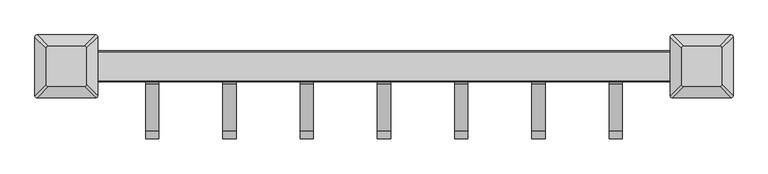
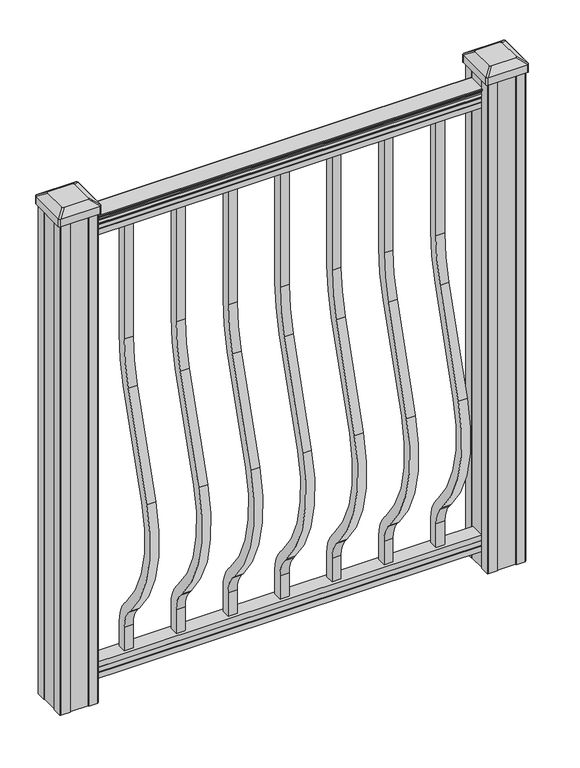
"""IFC4 building model written with IfcOpenShell, lengths in millimetres: proxy geometry."""

from ifc_helpers import new_model, si_unit, point, frame, frame_2d, origin, place, context, project, spatial, polyline, circle_curve, trimmed, segment, composite_curve, outline, extrude, source, transform, mapped, element, save
from ifc_brep_helpers import plane_surface, extruded_surface, advanced_brep


def specialty_equipment_185b2dcf(model_context):
    return source(origin(), model_context, "Body", "SolidModel", [
        extrude(outline(composite_curve([segment(polyline([(9.525, 1066.8), (9.525, 806.73216)]), True, "CONTINUOUS"), segment(trimmed(circle_curve(frame_2d((-360.0, 806.73216)), 369.525), [point((9.525, 806.73216))], [point((-6.6214851, 698.6935058))], False, "CARTESIAN"), True, "CONTINUOUS"), segment(polyline([(-6.6214851, 698.6935058), (-74.4487629, 476.8404766)]), True, "CONTINUOUS"), segment(trimmed(circle_curve(frame_2d((184.207766, 397.7612397)), 270.475), [point((-74.4487629, 476.8404766))], [point((-17.4747286, 217.5366659))], True, "CARTESIAN"), True, "CONTINUOUS"), segment(polyline([(-17.4747286, 217.5366659), (-11.9730553, 211.3799518)]), True, "CONTINUOUS"), segment(trimmed(circle_curve(frame_2d((-75.0, 155.0587313)), 84.525), [point((-11.9730553, 211.3799518))], [point((9.525, 155.0587313))], False, "CARTESIAN"), True, "CONTINUOUS"), segment(polyline([(9.525, 155.0587313), (9.525, 101.6), (-9.525, 101.6), (-9.525, 155.0587313)]), True, "CONTINUOUS"), segment(trimmed(circle_curve(frame_2d((-75.0, 155.0587313)), 65.475), [point((-9.525, 155.0587313))], [point((-26.1778858, 198.686438))], True, "CARTESIAN"), True, "CONTINUOUS"), segment(polyline([(-26.1778858, 198.686438), (-31.6795591, 204.8431522)]), True, "CONTINUOUS"), segment(trimmed(circle_curve(frame_2d((184.207766, 397.7612397)), 289.525), [point((-31.6795591, 204.8431522))], [point((-92.6663685, 482.4101576))], False, "CARTESIAN"), True, "CONTINUOUS"), segment(polyline([(-92.6663685, 482.4101576), (-24.8390907, 704.2631868)]), True, "CONTINUOUS"), segment(trimmed(circle_curve(frame_2d((-360.0, 806.73216)), 350.475), [point((-24.8390907, 704.2631868))], [point((-9.525, 806.73216))], True, "CARTESIAN"), True, "CONTINUOUS"), segment(polyline([(-9.525, 806.73216), (-9.525, 1066.8), (9.525, 1066.8)]), True, "CONTINUOUS")], self_intersect=False)), frame((212.725, 0.0, 0.0), z_axis=(1.0, 0.0, 0.0), x_axis=(0.0, 1.0, 0.0)), (0.0, 0.0, 1.0), 19.05),
        extrude(outline(composite_curve([segment(polyline([(9.525, 1066.8), (9.525, 806.73216)]), True, "CONTINUOUS"), segment(trimmed(circle_curve(frame_2d((-360.0, 806.73216)), 369.525), [point((9.525, 806.73216))], [point((-6.6214851, 698.6935058))], False, "CARTESIAN"), True, "CONTINUOUS"), segment(polyline([(-6.6214851, 698.6935058), (-74.4487629, 476.8404766)]), True, "CONTINUOUS"), segment(trimmed(circle_curve(frame_2d((184.207766, 397.7612397)), 270.475), [point((-74.4487629, 476.8404766))], [point((-17.4747286, 217.5366659))], True, "CARTESIAN"), True, "CONTINUOUS"), segment(polyline([(-17.4747286, 217.5366659), (-11.9730553, 211.3799518)]), True, "CONTINUOUS"), segment(trimmed(circle_curve(frame_2d((-75.0, 155.0587313)), 84.525), [point((-11.9730553, 211.3799518))], [point((9.525, 155.0587313))], False, "CARTESIAN"), True, "CONTINUOUS"), segment(polyline([(9.525, 155.0587313), (9.525, 101.6), (-9.525, 101.6), (-9.525, 155.0587313)]), True, "CONTINUOUS"), segment(trimmed(circle_curve(frame_2d((-75.0, 155.0587313)), 65.475), [point((-9.525, 155.0587313))], [point((-26.1778858, 198.686438))], True, "CARTESIAN"), True, "CONTINUOUS"), segment(polyline([(-26.1778858, 198.686438), (-31.6795591, 204.8431522)]), True, "CONTINUOUS"), segment(trimmed(circle_curve(frame_2d((184.207766, 397.7612397)), 289.525), [point((-31.6795591, 204.8431522))], [point((-92.6663685, 482.4101576))], False, "CARTESIAN"), True, "CONTINUOUS"), segment(polyline([(-92.6663685, 482.4101576), (-24.8390907, 704.2631868)]), True, "CONTINUOUS"), segment(trimmed(circle_curve(frame_2d((-360.0, 806.73216)), 350.475), [point((-24.8390907, 704.2631868))], [point((-9.525, 806.73216))], True, "CARTESIAN"), True, "CONTINUOUS"), segment(polyline([(-9.525, 806.73216), (-9.525, 1066.8), (9.525, 1066.8)]), True, "CONTINUOUS")], self_intersect=False)), frame((101.6, 0.0, 0.0), z_axis=(1.0, 0.0, 0.0), x_axis=(0.0, 1.0, 0.0)), (0.0, 0.0, 1.0), 19.05),
        extrude(outline(composite_curve([segment(polyline([(9.525, 1066.8), (9.525, 806.73216)]), True, "CONTINUOUS"), segment(trimmed(circle_curve(frame_2d((-360.0, 806.73216)), 369.525), [point((9.525, 806.73216))], [point((-6.6214851, 698.6935058))], False, "CARTESIAN"), True, "CONTINUOUS"), segment(polyline([(-6.6214851, 698.6935058), (-74.4487629, 476.8404766)]), True, "CONTINUOUS"), segment(trimmed(circle_curve(frame_2d((184.207766, 397.7612397)), 270.475), [point((-74.4487629, 476.8404766))], [point((-17.4747286, 217.5366659))], True, "CARTESIAN"), True, "CONTINUOUS"), segment(polyline([(-17.4747286, 217.5366659), (-11.9730553, 211.3799518)]), True, "CONTINUOUS"), segment(trimmed(circle_curve(frame_2d((-75.0, 155.0587313)), 84.525), [point((-11.9730553, 211.3799518))], [point((9.525, 155.0587313))], False, "CARTESIAN"), True, "CONTINUOUS"), segment(polyline([(9.525, 155.0587313), (9.525, 101.6), (-9.525, 101.6), (-9.525, 155.0587313)]), True, "CONTINUOUS"), segment(trimmed(circle_curve(frame_2d((-75.0, 155.0587313)), 65.475), [point((-9.525, 155.0587313))], [point((-26.1778858, 198.686438))], True, "CARTESIAN"), True, "CONTINUOUS"), segment(polyline([(-26.1778858, 198.686438), (-31.6795591, 204.8431522)]), True, "CONTINUOUS"), segment(trimmed(circle_curve(frame_2d((184.207766, 397.7612397)), 289.525), [point((-31.6795591, 204.8431522))], [point((-92.6663685, 482.4101576))], False, "CARTESIAN"), True, "CONTINUOUS"), segment(polyline([(-92.6663685, 482.4101576), (-24.8390907, 704.2631868)]), True, "CONTINUOUS"), segment(trimmed(circle_curve(frame_2d((-360.0, 806.73216)), 350.475), [point((-24.8390907, 704.2631868))], [point((-9.525, 806.73216))], True, "CARTESIAN"), True, "CONTINUOUS"), segment(polyline([(-9.525, 806.73216), (-9.525, 1066.8), (9.525, 1066.8)]), True, "CONTINUOUS")], self_intersect=False)), frame((-9.525, 0.0, 0.0), z_axis=(1.0, 0.0, 0.0), x_axis=(0.0, 1.0, 0.0)), (0.0, 0.0, 1.0), 19.05),
        extrude(outline(composite_curve([segment(polyline([(9.525, 1066.8), (9.525, 806.73216)]), True, "CONTINUOUS"), segment(trimmed(circle_curve(frame_2d((-360.0, 806.73216)), 369.525), [point((9.525, 806.73216))], [point((-6.6214851, 698.6935058))], False, "CARTESIAN"), True, "CONTINUOUS"), segment(polyline([(-6.6214851, 698.6935058), (-74.4487629, 476.8404766)]), True, "CONTINUOUS"), segment(trimmed(circle_curve(frame_2d((184.207766, 397.7612397)), 270.475), [point((-74.4487629, 476.8404766))], [point((-17.4747286, 217.5366659))], True, "CARTESIAN"), True, "CONTINUOUS"), segment(polyline([(-17.4747286, 217.5366659), (-11.9730553, 211.3799518)]), True, "CONTINUOUS"), segment(trimmed(circle_curve(frame_2d((-75.0, 155.0587313)), 84.525), [point((-11.9730553, 211.3799518))], [point((9.525, 155.0587313))], False, "CARTESIAN"), True, "CONTINUOUS"), segment(polyline([(9.525, 155.0587313), (9.525, 101.6), (-9.525, 101.6), (-9.525, 155.0587313)]), True, "CONTINUOUS"), segment(trimmed(circle_curve(frame_2d((-75.0, 155.0587313)), 65.475), [point((-9.525, 155.0587313))], [point((-26.1778858, 198.686438))], True, "CARTESIAN"), True, "CONTINUOUS"), segment(polyline([(-26.1778858, 198.686438), (-31.6795591, 204.8431522)]), True, "CONTINUOUS"), segment(trimmed(circle_curve(frame_2d((184.207766, 397.7612397)), 289.525), [point((-31.6795591, 204.8431522))], [point((-92.6663685, 482.4101576))], False, "CARTESIAN"), True, "CONTINUOUS"), segment(polyline([(-92.6663685, 482.4101576), (-24.8390907, 704.2631868)]), True, "CONTINUOUS"), segment(trimmed(circle_curve(frame_2d((-360.0, 806.73216)), 350.475), [point((-24.8390907, 704.2631868))], [point((-9.525, 806.73216))], True, "CARTESIAN"), True, "CONTINUOUS"), segment(polyline([(-9.525, 806.73216), (-9.525, 1066.8), (9.525, 1066.8)]), True, "CONTINUOUS")], self_intersect=False)), frame((-120.65, 0.0, 0.0), z_axis=(1.0, 0.0, 0.0), x_axis=(0.0, 1.0, 0.0)), (0.0, 0.0, 1.0), 19.05),
        extrude(outline(composite_curve([segment(polyline([(9.525, 1066.8), (9.525, 806.73216)]), True, "CONTINUOUS"), segment(trimmed(circle_curve(frame_2d((-360.0, 806.73216)), 369.525), [point((9.525, 806.73216))], [point((-6.6214851, 698.6935058))], False, "CARTESIAN"), True, "CONTINUOUS"), segment(polyline([(-6.6214851, 698.6935058), (-74.4487629, 476.8404766)]), True, "CONTINUOUS"), segment(trimmed(circle_curve(frame_2d((184.207766, 397.7612397)), 270.475), [point((-74.4487629, 476.8404766))], [point((-17.4747286, 217.5366659))], True, "CARTESIAN"), True, "CONTINUOUS"), segment(polyline([(-17.4747286, 217.5366659), (-11.9730553, 211.3799518)]), True, "CONTINUOUS"), segment(trimmed(circle_curve(frame_2d((-75.0, 155.0587313)), 84.525), [point((-11.9730553, 211.3799518))], [point((9.525, 155.0587313))], False, "CARTESIAN"), True, "CONTINUOUS"), segment(polyline([(9.525, 155.0587313), (9.525, 101.6), (-9.525, 101.6), (-9.525, 155.0587313)]), True, "CONTINUOUS"), segment(trimmed(circle_curve(frame_2d((-75.0, 155.0587313)), 65.475), [point((-9.525, 155.0587313))], [point((-26.1778858, 198.686438))], True, "CARTESIAN"), True, "CONTINUOUS"), segment(polyline([(-26.1778858, 198.686438), (-31.6795591, 204.8431522)]), True, "CONTINUOUS"), segment(trimmed(circle_curve(frame_2d((184.207766, 397.7612397)), 289.525), [point((-31.6795591, 204.8431522))], [point((-92.6663685, 482.4101576))], False, "CARTESIAN"), True, "CONTINUOUS"), segment(polyline([(-92.6663685, 482.4101576), (-24.8390907, 704.2631868)]), True, "CONTINUOUS"), segment(trimmed(circle_curve(frame_2d((-360.0, 806.73216)), 350.475), [point((-24.8390907, 704.2631868))], [point((-9.525, 806.73216))], True, "CARTESIAN"), True, "CONTINUOUS"), segment(polyline([(-9.525, 806.73216), (-9.525, 1066.8), (9.525, 1066.8)]), True, "CONTINUOUS")], self_intersect=False)), frame((-231.775, 0.0, 0.0), z_axis=(1.0, 0.0, 0.0), x_axis=(0.0, 1.0, 0.0)), (0.0, 0.0, 1.0), 19.05),
        extrude(outline(composite_curve([segment(polyline([(9.525, 1066.8), (9.525, 806.73216)]), True, "CONTINUOUS"), segment(trimmed(circle_curve(frame_2d((-360.0, 806.73216)), 369.525), [point((9.525, 806.73216))], [point((-6.6214851, 698.6935058))], False, "CARTESIAN"), True, "CONTINUOUS"), segment(polyline([(-6.6214851, 698.6935058), (-74.4487629, 476.8404766)]), True, "CONTINUOUS"), segment(trimmed(circle_curve(frame_2d((184.207766, 397.7612397)), 270.475), [point((-74.4487629, 476.8404766))], [point((-17.4747286, 217.5366659))], True, "CARTESIAN"), True, "CONTINUOUS"), segment(polyline([(-17.4747286, 217.5366659), (-11.9730553, 211.3799518)]), True, "CONTINUOUS"), segment(trimmed(circle_curve(frame_2d((-75.0, 155.0587313)), 84.525), [point((-11.9730553, 211.3799518))], [point((9.525, 155.0587313))], False, "CARTESIAN"), True, "CONTINUOUS"), segment(polyline([(9.525, 155.0587313), (9.525, 101.6), (-9.525, 101.6), (-9.525, 155.0587313)]), True, "CONTINUOUS"), segment(trimmed(circle_curve(frame_2d((-75.0, 155.0587313)), 65.475), [point((-9.525, 155.0587313))], [point((-26.1778858, 198.686438))], True, "CARTESIAN"), True, "CONTINUOUS"), segment(polyline([(-26.1778858, 198.686438), (-31.6795591, 204.8431522)]), True, "CONTINUOUS"), segment(trimmed(circle_curve(frame_2d((184.207766, 397.7612397)), 289.525), [point((-31.6795591, 204.8431522))], [point((-92.6663685, 482.4101576))], False, "CARTESIAN"), True, "CONTINUOUS"), segment(polyline([(-92.6663685, 482.4101576), (-24.8390907, 704.2631868)]), True, "CONTINUOUS"), segment(trimmed(circle_curve(frame_2d((-360.0, 806.73216)), 350.475), [point((-24.8390907, 704.2631868))], [point((-9.525, 806.73216))], True, "CARTESIAN"), True, "CONTINUOUS"), segment(polyline([(-9.525, 806.73216), (-9.525, 1066.8), (9.525, 1066.8)]), True, "CONTINUOUS")], self_intersect=False)), frame((323.85, 0.0, 0.0), z_axis=(1.0, 0.0, 0.0), x_axis=(0.0, 1.0, 0.0)), (0.0, 0.0, 1.0), 19.05),
        extrude(outline(composite_curve([segment(polyline([(9.525, 1066.8), (9.525, 806.73216)]), True, "CONTINUOUS"), segment(trimmed(circle_curve(frame_2d((-360.0, 806.73216)), 369.525), [point((9.525, 806.73216))], [point((-6.6214851, 698.6935058))], False, "CARTESIAN"), True, "CONTINUOUS"), segment(polyline([(-6.6214851, 698.6935058), (-74.4487629, 476.8404766)]), True, "CONTINUOUS"), segment(trimmed(circle_curve(frame_2d((184.207766, 397.7612397)), 270.475), [point((-74.4487629, 476.8404766))], [point((-17.4747286, 217.5366659))], True, "CARTESIAN"), True, "CONTINUOUS"), segment(polyline([(-17.4747286, 217.5366659), (-11.9730553, 211.3799518)]), True, "CONTINUOUS"), segment(trimmed(circle_curve(frame_2d((-75.0, 155.0587313)), 84.525), [point((-11.9730553, 211.3799518))], [point((9.525, 155.0587313))], False, "CARTESIAN"), True, "CONTINUOUS"), segment(polyline([(9.525, 155.0587313), (9.525, 101.6), (-9.525, 101.6), (-9.525, 155.0587313)]), True, "CONTINUOUS"), segment(trimmed(circle_curve(frame_2d((-75.0, 155.0587313)), 65.475), [point((-9.525, 155.0587313))], [point((-26.1778858, 198.686438))], True, "CARTESIAN"), True, "CONTINUOUS"), segment(polyline([(-26.1778858, 198.686438), (-31.6795591, 204.8431522)]), True, "CONTINUOUS"), segment(trimmed(circle_curve(frame_2d((184.207766, 397.7612397)), 289.525), [point((-31.6795591, 204.8431522))], [point((-92.6663685, 482.4101576))], False, "CARTESIAN"), True, "CONTINUOUS"), segment(polyline([(-92.6663685, 482.4101576), (-24.8390907, 704.2631868)]), True, "CONTINUOUS"), segment(trimmed(circle_curve(frame_2d((-360.0, 806.73216)), 350.475), [point((-24.8390907, 704.2631868))], [point((-9.525, 806.73216))], True, "CARTESIAN"), True, "CONTINUOUS"), segment(polyline([(-9.525, 806.73216), (-9.525, 1066.8), (9.525, 1066.8)]), True, "CONTINUOUS")], self_intersect=False)), frame((-342.9, 0.0, 0.0), z_axis=(1.0, 0.0, 0.0), x_axis=(0.0, 1.0, 0.0)), (0.0, 0.0, 1.0), 19.05),
        extrude(outline(composite_curve([segment(polyline([(1090.8043297, 17.4328287), (1092.692412, 17.4328287)]), True, "CONTINUOUS"), segment(trimmed(circle_curve(frame_2d((1098.4506383, 11.1180755)), 8.545951), [point((1092.692412, 17.4328287))], [point((1094.2546695, 18.563015))], False, "CARTESIAN"), True, "CONTINUOUS"), segment(trimmed(circle_curve(frame_2d((1097.8636577, 11.5551384)), 7.882584), [point((1094.2546695, 18.563015))], [point((1101.4726458, 18.563015))], False, "CARTESIAN"), True, "CONTINUOUS"), segment(trimmed(circle_curve(frame_2d((1103.7112527, 22.0684625)), 4.1592695), [point((1101.4726458, 18.563015))], [point((1103.9060812, 17.9137586))], True, "CARTESIAN"), True, "CONTINUOUS"), segment(trimmed(circle_curve(frame_2d((1103.6508864, 23.3557691)), 5.4479907), [point((1103.9060812, 17.9137586))], [point((1108.2362083, 20.4137586))], True, "CARTESIAN"), True, "CONTINUOUS"), segment(trimmed(circle_curve(frame_2d((1108.233395, 22.1226107)), 1.7088543), [point((1108.2362083, 20.4137586))], [point((1109.9157972, 21.8231011))], True, "CARTESIAN"), True, "CONTINUOUS"), segment(trimmed(circle_curve(frame_2d((1111.0205318, 20.5057106)), 1.7192895), [point((1109.9157972, 21.8231011))], [point((1111.0205318, 22.2250001))], False, "CARTESIAN"), True, "CONTINUOUS"), segment(polyline([(1111.0205318, 22.2250001), (1112.3608158, 22.225)]), True, "CONTINUOUS"), segment(trimmed(circle_curve(frame_2d((1112.3608158, 20.6715528)), 1.5534472), [point((1112.3608158, 22.225))], [point((1113.914263, 20.6715528))], False, "CARTESIAN"), True, "CONTINUOUS"), segment(polyline([(1113.914263, 20.6715528), (1113.914263, -20.6715528)]), True, "CONTINUOUS"), segment(trimmed(circle_curve(frame_2d((1112.3608158, -20.6715528)), 1.5534472), [point((1113.914263, -20.6715528))], [point((1112.3608158, -22.225))], False, "CARTESIAN"), True, "CONTINUOUS"), segment(polyline([(1112.3608158, -22.225), (1111.0205318, -22.225)]), True, "CONTINUOUS"), segment(trimmed(circle_curve(frame_2d((1111.0205318, -20.5057106)), 1.7192895), [point((1111.0205318, -22.225))], [point((1109.9157972, -21.8231011))], False, "CARTESIAN"), True, "CONTINUOUS"), segment(trimmed(circle_curve(frame_2d((1108.233395, -22.1226107)), 1.7088543), [point((1109.9157972, -21.8231011))], [point((1108.2362083, -20.4137586))], True, "CARTESIAN"), True, "CONTINUOUS"), segment(trimmed(circle_curve(frame_2d((1103.6508864, -23.3557691)), 5.4479907), [point((1108.2362083, -20.4137586))], [point((1103.9060812, -17.9137586))], True, "CARTESIAN"), True, "CONTINUOUS"), segment(trimmed(circle_curve(frame_2d((1103.7112527, -22.0684625)), 4.1592695), [point((1103.9060812, -17.9137586))], [point((1101.4726458, -18.563015))], True, "CARTESIAN"), True, "CONTINUOUS"), segment(trimmed(circle_curve(frame_2d((1097.8636577, -11.5551384)), 7.882584), [point((1101.4726458, -18.563015))], [point((1094.2546695, -18.563015))], False, "CARTESIAN"), True, "CONTINUOUS"), segment(trimmed(circle_curve(frame_2d((1098.4506383, -11.1180755)), 8.545951), [point((1094.2546695, -18.563015))], [point((1092.692412, -17.4328287))], False, "CARTESIAN"), True, "CONTINUOUS"), segment(polyline([(1092.692412, -17.4328287), (1090.8043297, -17.4328287)]), True, "CONTINUOUS"), segment(trimmed(circle_curve(frame_2d((1090.8043297, -16.1459144)), 1.2869144), [point((1090.8043297, -17.4328287))], [point((1090.8043297, -14.859))], False, "CARTESIAN"), True, "CONTINUOUS"), segment(polyline([(1090.8043297, -14.859), (1080.3048283, -14.859), (1079.2888283, -15.875), (1066.8, -15.875), (1066.8, 15.875), (1079.131013, 15.875), (1080.147013, 14.859), (1090.8043297, 14.859)]), True, "CONTINUOUS"), segment(trimmed(circle_curve(frame_2d((1090.8043297, 16.1459144)), 1.2869144), [point((1090.8043297, 14.859))], [point((1090.8043297, 17.4328287))], False, "CARTESIAN"), True, "CONTINUOUS")], self_intersect=False)), frame((457.2, 0.0, 0.0), z_axis=(-1.0, 0.0, 0.0), x_axis=(0.0, 0.0, 1.0)), (0.0, 0.0, 1.0), 914.4),
        extrude(outline(polyline([(-15.9124869, 76.0541976), (-14.8964869, 77.3546183), (-14.8964869, 87.7141717), (-15.9124869, 89.0624492), (-15.9124869, 101.5958781), (15.8375131, 101.5958781), (15.8375131, 89.0458024), (14.8215131, 87.6975248), (14.8215131, 77.3858283), (15.8375131, 76.0375508), (15.8375131, 63.5), (-15.9124869, 63.5), (-15.9124869, 76.0541976)])), frame((-457.2, 0.0, 0.0), z_axis=(1.0, 0.0, 0.0), x_axis=(0.0, 1.0, 0.0)), (0.0, 0.0, 1.0), 914.4),
        advanced_brep(
        [(431.403125, 28.971875, 1165.225), (428.228125, 25.796875, 1165.225), (428.228125, -25.796875, 1165.225), (431.403125, -28.971875, 1165.225), (482.996875, -28.971875, 1165.225), (486.171875, -25.796875, 1165.225), (486.171875, 25.796875, 1165.225), (482.996875, 28.971875, 1165.225), (415.13125, 45.24375, 1153.922), (499.26875, 45.24375, 1153.922), (502.44375, 42.06875, 1153.922), (502.44375, -42.06875, 1153.922), (499.26875, -45.24375, 1153.922), (415.13125, -45.24375, 1153.922), (411.95625, -42.06875, 1153.922), (411.95625, 42.06875, 1153.922)],
        [
            (0, 1, circle_curve(frame((431.403125, 25.796875, 1165.225), z_axis=(0.0, 0.0, 1.0), x_axis=(0.0, -1.0, 0.0)), 3.175)),
            (1, 2),
            (2, 3, circle_curve(frame((431.403125, -25.796875, 1165.225), z_axis=(0.0, 0.0, 1.0), x_axis=(0.0, -1.0, 0.0)), 3.175)),
            (3, 4),
            (4, 5, circle_curve(frame((482.996875, -25.796875, 1165.225), z_axis=(0.0, 0.0, 1.0), x_axis=(0.0, -1.0, 0.0)), 3.175)),
            (5, 6),
            (6, 7, circle_curve(frame((482.996875, 25.796875, 1165.225), z_axis=(0.0, 0.0, 1.0), x_axis=(0.0, -1.0, 0.0)), 3.175)),
            (7, 0),
            (8, 9),
            (9, 10, circle_curve(frame((499.26875, 42.06875, 1153.922), z_axis=(0.0, 0.0, -1.0), x_axis=(0.0, -1.0, 0.0)), 3.175)),
            (10, 11),
            (11, 12, circle_curve(frame((499.26875, -42.06875, 1153.922), z_axis=(0.0, 0.0, -1.0), x_axis=(0.0, -1.0, 0.0)), 3.175)),
            (12, 13),
            (13, 14, circle_curve(frame((415.13125, -42.06875, 1153.922), z_axis=(0.0, 0.0, -1.0), x_axis=(0.0, -1.0, 0.0)), 3.175)),
            (14, 15),
            (15, 8, circle_curve(frame((415.13125, 42.06875, 1153.922), z_axis=(0.0, 0.0, -1.0), x_axis=(0.0, -1.0, 0.0)), 3.175)),
            (15, 1),
            (0, 8),
            (14, 2),
            (13, 3),
            (12, 4),
            (11, 5),
            (10, 6),
            (9, 7),
        ],
        [
            plane_surface(frame((457.2, 0.0, 1165.225), z_axis=(0.0, 0.0, 1.0), x_axis=(-1.0, 0.0, 0.0))),
            plane_surface(frame((457.2, 0.0, 1153.922), z_axis=(0.0, 0.0, -1.0), x_axis=(-1.0, 0.0, 0.0))),
            extruded_surface(trimmed(circle_curve(frame((415.13125, 42.06875, 1153.922), z_axis=(0.0, 0.0, 1.0), x_axis=(0.0, -1.0, 0.0)), 3.175), [point((415.13125, 45.24375, 1153.922))], [point((411.95625, 42.06875, 1153.922))], True, "CARTESIAN"), (16.271874999999966, -16.271875, 11.302999999999884), 25.637972638866092),
            plane_surface(frame((411.95625, 0.0, 1153.922), z_axis=(-0.5705009161540777, 0.0, 0.8212969649690409), x_axis=(0.0, -1.0, 0.0))),
            extruded_surface(trimmed(circle_curve(frame((415.13125, -42.06875, 1153.922), z_axis=(0.0, 0.0, 1.0), x_axis=(0.0, -1.0, 0.0)), 3.175), [point((411.95625, -42.06875, 1153.922))], [point((415.13125, -45.24375, 1153.922))], True, "CARTESIAN"), (16.271874999999966, 16.271875, 11.302999999999884), 25.637972638866092),
            plane_surface(frame((457.2, -45.24375, 1153.922), z_axis=(0.0, -0.5705009161540291, 0.8212969649690747), x_axis=(1.0, 0.0, 0.0))),
            extruded_surface(trimmed(circle_curve(frame((499.26875, -42.06875, 1153.922), z_axis=(0.0, 0.0, 1.0), x_axis=(0.0, -1.0, 0.0)), 3.175), [point((499.26875, -45.24375, 1153.922))], [point((502.44375, -42.06875, 1153.922))], True, "CARTESIAN"), (-16.271875000000023, 16.271875, 11.302999999999884), 25.637972638866128),
            plane_surface(frame((502.44375, 0.0, 1153.922), z_axis=(0.5705009161540143, 0.0, 0.821296964969085), x_axis=(0.0, 1.0, 0.0))),
            extruded_surface(trimmed(circle_curve(frame((499.26875, 42.06875, 1153.922), z_axis=(0.0, 0.0, 1.0), x_axis=(0.0, -1.0, 0.0)), 3.175), [point((502.44375, 42.06875, 1153.922))], [point((499.26875, 45.24375, 1153.922))], True, "CARTESIAN"), (-16.271875000000023, -16.271875, 11.302999999999884), 25.637972638866128),
            plane_surface(frame((457.2, 45.24375, 1153.922), z_axis=(0.0, 0.570500916154034, 0.8212969649690713), x_axis=(-1.0, 0.0, 0.0))),
        ],
        [
            (0, [[1, 2, 3, 4, 5, 6, 7, 8]]),
            (1, [[9, 10, 11, 12, 13, 14, 15, 16]]),
            (2, [[-16, 17, -1, 18]]),
            (3, [[-15, 19, -2, -17]]),
            (4, [[-14, 20, -3, -19]]),
            (5, [[-13, 21, -4, -20]]),
            (6, [[-12, 22, -5, -21]]),
            (7, [[-11, 23, -6, -22]]),
            (8, [[-10, 24, -7, -23]]),
            (9, [[-9, -18, -8, -24]]),
        ],
    ),
        extrude(outline(composite_curve([segment(polyline([(415.13125, 45.24375), (499.26875, 45.24375)]), True, "CONTINUOUS"), segment(trimmed(circle_curve(frame_2d((499.26875, 42.06875)), 3.175), [point((499.26875, 45.24375))], [point((502.44375, 42.06875))], False, "CARTESIAN"), True, "CONTINUOUS"), segment(polyline([(502.44375, 42.06875), (502.44375, -42.06875)]), True, "CONTINUOUS"), segment(trimmed(circle_curve(frame_2d((499.26875, -42.06875)), 3.175), [point((502.44375, -42.06875))], [point((499.26875, -45.24375))], False, "CARTESIAN"), True, "CONTINUOUS"), segment(polyline([(499.26875, -45.24375), (415.13125, -45.24375)]), True, "CONTINUOUS"), segment(trimmed(circle_curve(frame_2d((415.13125, -42.06875)), 3.175), [point((415.13125, -45.24375))], [point((411.95625, -42.06875))], False, "CARTESIAN"), True, "CONTINUOUS"), segment(polyline([(411.95625, -42.06875), (411.95625, 42.06875)]), True, "CONTINUOUS"), segment(trimmed(circle_curve(frame_2d((415.13125, 42.06875)), 3.175), [point((411.95625, 42.06875))], [point((415.13125, 45.24375))], False, "CARTESIAN"), True, "CONTINUOUS")], self_intersect=False)), frame((0.0, 0.0, 1136.65), z_axis=(0.0, 0.0, 1.0), x_axis=(1.0, 0.0, 0.0)), (0.0, 0.0, 1.0), 17.272),
        extrude(outline(polyline([(417.5125, 41.275), (437.134, 41.275), (437.896, 39.6875), (476.504, 39.6875), (477.266, 41.275), (496.8875, 41.275), (498.475, 39.6875), (498.475, 20.066), (496.8875, 19.304), (496.8875, -19.304), (498.475, -20.066), (498.475, -39.6875), (496.8875, -41.275), (477.266, -41.275), (476.504, -39.6875), (437.896, -39.6875), (437.134, -41.275), (417.5125, -41.275), (415.925, -39.6875), (415.925, -20.066), (417.5125, -19.304), (417.5125, 19.304), (415.925, 20.066), (415.925, 39.6875), (417.5125, 41.275)])), frame((0.0, 0.0, 28.575), z_axis=(0.0, 0.0, 1.0), x_axis=(1.0, 0.0, 0.0)), (0.0, 0.0, 1.0), 1108.075),
        advanced_brep(
        [(-482.996875, 28.971875, 1165.225), (-486.171875, 25.796875, 1165.225), (-486.171875, -25.796875, 1165.225), (-482.996875, -28.971875, 1165.225), (-431.403125, -28.971875, 1165.225), (-428.228125, -25.796875, 1165.225), (-428.228125, 25.796875, 1165.225), (-431.403125, 28.971875, 1165.225), (-499.26875, 45.24375, 1153.922), (-415.13125, 45.24375, 1153.922), (-411.95625, 42.06875, 1153.922), (-411.95625, -42.06875, 1153.922), (-415.13125, -45.24375, 1153.922), (-499.26875, -45.24375, 1153.922), (-502.44375, -42.06875, 1153.922), (-502.44375, 42.06875, 1153.922)],
        [
            (0, 1, circle_curve(frame((-482.996875, 25.796875, 1165.225), z_axis=(0.0, 0.0, 1.0), x_axis=(0.0, -1.0, 0.0)), 3.175)),
            (1, 2),
            (2, 3, circle_curve(frame((-482.996875, -25.796875, 1165.225), z_axis=(0.0, 0.0, 1.0), x_axis=(0.0, -1.0, 0.0)), 3.175)),
            (3, 4),
            (4, 5, circle_curve(frame((-431.403125, -25.796875, 1165.225), z_axis=(0.0, 0.0, 1.0), x_axis=(0.0, -1.0, 0.0)), 3.175)),
            (5, 6),
            (6, 7, circle_curve(frame((-431.403125, 25.796875, 1165.225), z_axis=(0.0, 0.0, 1.0), x_axis=(0.0, -1.0, 0.0)), 3.175)),
            (7, 0),
            (8, 9),
            (9, 10, circle_curve(frame((-415.13125, 42.06875, 1153.922), z_axis=(0.0, 0.0, -1.0), x_axis=(0.0, -1.0, 0.0)), 3.175)),
            (10, 11),
            (11, 12, circle_curve(frame((-415.13125, -42.06875, 1153.922), z_axis=(0.0, 0.0, -1.0), x_axis=(0.0, -1.0, 0.0)), 3.175)),
            (12, 13),
            (13, 14, circle_curve(frame((-499.26875, -42.06875, 1153.922), z_axis=(0.0, 0.0, -1.0), x_axis=(0.0, -1.0, 0.0)), 3.175)),
            (14, 15),
            (15, 8, circle_curve(frame((-499.26875, 42.06875, 1153.922), z_axis=(0.0, 0.0, -1.0), x_axis=(0.0, -1.0, 0.0)), 3.175)),
            (15, 1),
            (0, 8),
            (14, 2),
            (13, 3),
            (12, 4),
            (11, 5),
            (10, 6),
            (9, 7),
        ],
        [
            plane_surface(frame((-457.2, 0.0, 1165.225), z_axis=(0.0, 0.0, 1.0), x_axis=(-1.0, 0.0, 0.0))),
            plane_surface(frame((-457.2, 0.0, 1153.922), z_axis=(0.0, 0.0, -1.0), x_axis=(-1.0, 0.0, 0.0))),
            extruded_surface(trimmed(circle_curve(frame((-499.26875, 42.06875, 1153.922), z_axis=(0.0, 0.0, 1.0), x_axis=(0.0, -1.0, 0.0)), 3.175), [point((-499.26875, 45.24375, 1153.922))], [point((-502.44375, 42.06875, 1153.922))], True, "CARTESIAN"), (16.271875000000023, -16.271875, 11.302999999999884), 25.637972638866128),
            plane_surface(frame((-502.44375, 0.0, 1153.922), z_axis=(-0.5705009161540777, 0.0, 0.8212969649690409), x_axis=(0.0, -1.0, 0.0))),
            extruded_surface(trimmed(circle_curve(frame((-499.26875, -42.06875, 1153.922), z_axis=(0.0, 0.0, 1.0), x_axis=(0.0, -1.0, 0.0)), 3.175), [point((-502.44375, -42.06875, 1153.922))], [point((-499.26875, -45.24375, 1153.922))], True, "CARTESIAN"), (16.271875000000023, 16.271875, 11.302999999999884), 25.637972638866128),
            plane_surface(frame((-457.2, -45.24375, 1153.922), z_axis=(0.0, -0.5705009161540291, 0.8212969649690747), x_axis=(1.0, 0.0, 0.0))),
            extruded_surface(trimmed(circle_curve(frame((-415.13125, -42.06875, 1153.922), z_axis=(0.0, 0.0, 1.0), x_axis=(0.0, -1.0, 0.0)), 3.175), [point((-415.13125, -45.24375, 1153.922))], [point((-411.95625, -42.06875, 1153.922))], True, "CARTESIAN"), (-16.271874999999966, 16.271875, 11.302999999999884), 25.637972638866092),
            plane_surface(frame((-411.95625, 0.0, 1153.922), z_axis=(0.5705009161540143, 0.0, 0.821296964969085), x_axis=(0.0, 1.0, 0.0))),
            extruded_surface(trimmed(circle_curve(frame((-415.13125, 42.06875, 1153.922), z_axis=(0.0, 0.0, 1.0), x_axis=(0.0, -1.0, 0.0)), 3.175), [point((-411.95625, 42.06875, 1153.922))], [point((-415.13125, 45.24375, 1153.922))], True, "CARTESIAN"), (-16.271874999999966, -16.271875, 11.302999999999884), 25.637972638866092),
            plane_surface(frame((-457.2, 45.24375, 1153.922), z_axis=(0.0, 0.570500916154034, 0.8212969649690713), x_axis=(-1.0, 0.0, 0.0))),
        ],
        [
            (0, [[1, 2, 3, 4, 5, 6, 7, 8]]),
            (1, [[9, 10, 11, 12, 13, 14, 15, 16]]),
            (2, [[-16, 17, -1, 18]]),
            (3, [[-15, 19, -2, -17]]),
            (4, [[-14, 20, -3, -19]]),
            (5, [[-13, 21, -4, -20]]),
            (6, [[-12, 22, -5, -21]]),
            (7, [[-11, 23, -6, -22]]),
            (8, [[-10, 24, -7, -23]]),
            (9, [[-9, -18, -8, -24]]),
        ],
    ),
        extrude(outline(composite_curve([segment(polyline([(-499.26875, 45.24375), (-415.13125, 45.24375)]), True, "CONTINUOUS"), segment(trimmed(circle_curve(frame_2d((-415.13125, 42.06875)), 3.175), [point((-415.13125, 45.24375))], [point((-411.95625, 42.06875))], False, "CARTESIAN"), True, "CONTINUOUS"), segment(polyline([(-411.95625, 42.06875), (-411.95625, -42.06875)]), True, "CONTINUOUS"), segment(trimmed(circle_curve(frame_2d((-415.13125, -42.06875)), 3.175), [point((-411.95625, -42.06875))], [point((-415.13125, -45.24375))], False, "CARTESIAN"), True, "CONTINUOUS"), segment(polyline([(-415.13125, -45.24375), (-499.26875, -45.24375)]), True, "CONTINUOUS"), segment(trimmed(circle_curve(frame_2d((-499.26875, -42.06875)), 3.175), [point((-499.26875, -45.24375))], [point((-502.44375, -42.06875))], False, "CARTESIAN"), True, "CONTINUOUS"), segment(polyline([(-502.44375, -42.06875), (-502.44375, 42.06875)]), True, "CONTINUOUS"), segment(trimmed(circle_curve(frame_2d((-499.26875, 42.06875)), 3.175), [point((-502.44375, 42.06875))], [point((-499.26875, 45.24375))], False, "CARTESIAN"), True, "CONTINUOUS")], self_intersect=False)), frame((0.0, 0.0, 1136.65), z_axis=(0.0, 0.0, 1.0), x_axis=(1.0, 0.0, 0.0)), (0.0, 0.0, 1.0), 17.272),
        extrude(outline(polyline([(-496.8875, 41.275), (-477.266, 41.275), (-476.504, 39.6875), (-437.896, 39.6875), (-437.134, 41.275), (-417.5125, 41.275), (-415.925, 39.6875), (-415.925, 20.066), (-417.5125, 19.304), (-417.5125, -19.304), (-415.925, -20.066), (-415.925, -39.6875), (-417.5125, -41.275), (-437.134, -41.275), (-437.896, -39.6875), (-476.504, -39.6875), (-477.266, -41.275), (-496.8875, -41.275), (-498.475, -39.6875), (-498.475, -20.066), (-496.8875, -19.304), (-496.8875, 19.304), (-498.475, 20.066), (-498.475, 39.6875), (-496.8875, 41.275)])), frame((0.0, 0.0, 28.575), z_axis=(0.0, 0.0, 1.0), x_axis=(1.0, 0.0, 0.0)), (0.0, 0.0, 1.0), 1108.075),
    ])


if __name__ == "__main__":
    model = new_model("IFC4")
    model_context = context("Model", 3, world=origin())
    ifc_project = project(units=[si_unit("LENGTHUNIT", "METRE", prefix="MILLI")], contexts=[model_context])
    site = spatial("IfcSite", under=ifc_project)
    building = spatial("IfcBuilding", under=site)
    placement = place(None, origin())
    specialty_equipment_shape = specialty_equipment_185b2dcf(model_context)
    element("IfcBuildingElementProxy", 1, Name="Specialty Equipment", at=placement, inside=building, context=model_context, shape_type="MappedRepresentation", body=[
        mapped(specialty_equipment_shape, transform((0.0, 0.0, 0.0), x_axis=(1.0, 0.0, 0.0), y_axis=(0.0, 1.0, 0.0), z_axis=(0.0, 0.0, 1.0))),
    ])
    save(model, "model.ifc")
